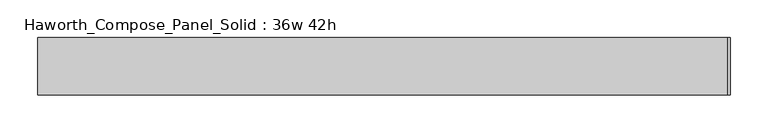
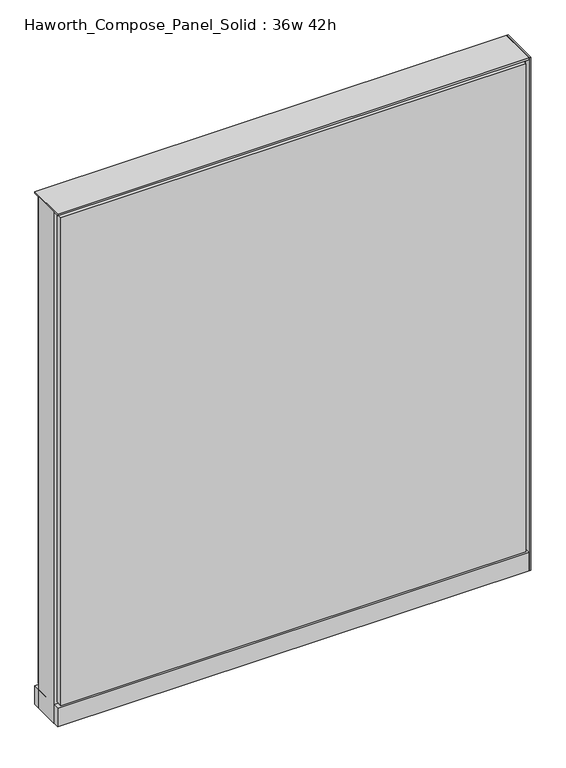
"""IFC4 building model written with IfcOpenShell, lengths in millimetres: furniture geometry, Haworth_Compose_Panel_Solid : 36w 42h."""

from ifc_helpers import new_model, si_unit, point, frame, frame_2d, origin, origin_with_axes, place, context, project, spatial, polyline, circle_curve, trimmed, segment, composite_curve, outline, extrude, source, transform, mapped, element, save


def haworth_compose_panel_solid_36w_42h_05a1db2c(model_context):
    return source(origin(), model_context, "Body", "SweptSolid", [
        extrude(outline(composite_curve([segment(trimmed(circle_curve(frame_2d((-378.5597098, 0.0)), 12.7), [point((-391.2597098, 0.0))], [point((-365.8597098, 0.0))], False, "CARTESIAN"), True, "CONTINUOUS"), segment(trimmed(circle_curve(frame_2d((-378.5597098, 0.0)), 12.7), [point((-365.8597098, 0.0))], [point((-391.2597098, 0.0))], False, "CARTESIAN"), True, "CONTINUOUS")], self_intersect=False)), origin_with_axes(), (0.0, 0.0, 1.0), 12.7),
        extrude(outline(composite_curve([segment(trimmed(circle_curve(frame_2d((383.4402902, 0.0)), 12.7), [point((370.7402902, 0.0))], [point((396.1402902, 0.0))], False, "CARTESIAN"), True, "CONTINUOUS"), segment(trimmed(circle_curve(frame_2d((383.4402902, 0.0)), 12.7), [point((396.1402902, 0.0))], [point((370.7402902, 0.0))], False, "CARTESIAN"), True, "CONTINUOUS")], self_intersect=False)), origin_with_axes(), (0.0, 0.0, 1.0), 12.7),
        extrude(outline(polyline([(462.8152902, 38.1), (462.8152902, -38.1), (459.6402902, -38.1), (459.6402902, 38.1), (462.8152902, 38.1)])), frame((0.0, 0.0, 12.7), z_axis=(0.0, 0.0, 1.0), x_axis=(1.0, 0.0, 0.0)), (0.0, 0.0, 1.0), 1050.925),
        extrude(outline(polyline([(453.2902902, 38.1), (453.2902902, 25.4), (-448.4097098, 25.4), (-448.4097098, 38.1), (453.2902902, 38.1)])), frame((0.0, 0.0, 53.975), z_axis=(0.0, 0.0, 1.0), x_axis=(1.0, 0.0, 0.0)), (0.0, 0.0, 1.0), 1000.125),
        extrude(outline(polyline([(453.2902902, -38.1), (-448.4097098, -38.1), (-448.4097098, -25.4), (453.2902902, -25.4), (453.2902902, -38.1)])), frame((0.0, 0.0, 53.975), z_axis=(0.0, 0.0, 1.0), x_axis=(1.0, 0.0, 0.0)), (0.0, 0.0, 1.0), 1000.125),
        extrude(outline(polyline([(459.6402902, 25.4), (459.6402902, -25.4), (-454.7597098, -25.4), (-454.7597098, 25.4), (459.6402902, 25.4)])), frame((0.0, 0.0, 12.7), z_axis=(0.0, 0.0, 1.0), x_axis=(1.0, 0.0, 0.0)), (0.0, 0.0, 1.0), 1047.75),
        extrude(outline(polyline([(-454.7597098, -38.1), (-454.7597098, 38.1), (459.6402902, 38.1), (459.6402902, -38.1), (-454.7597098, -38.1)])), frame((0.0, 0.0, 12.7), z_axis=(0.0, 0.0, 1.0), x_axis=(1.0, 0.0, 0.0)), (0.0, 0.0, 1.0), 38.1),
        extrude(outline(polyline([(-454.7597098, -38.1), (-454.7597098, 38.1), (459.6402902, 38.1), (459.6402902, -38.1), (-454.7597098, -38.1)])), frame((0.0, 0.0, 1060.45), z_axis=(0.0, 0.0, 1.0), x_axis=(1.0, 0.0, 0.0)), (0.0, 0.0, 1.0), 3.175),
    ])


if __name__ == "__main__":
    model = new_model("IFC4")
    model_context = context("Model", 3, world=origin())
    ifc_project = project(units=[si_unit("LENGTHUNIT", "METRE", prefix="MILLI")], contexts=[model_context])
    site = spatial("IfcSite", under=ifc_project)
    building = spatial("IfcBuilding", under=site)
    placement = place(None, origin())
    haworth_compose_panel_solid_36w_42h_shape = haworth_compose_panel_solid_36w_42h_05a1db2c(model_context)
    element("IfcFurniture", 1, ObjectType="Haworth_Compose_Panel_Solid : 36w 42h", at=placement, inside=building, context=model_context, shape_type="MappedRepresentation", body=[
        mapped(haworth_compose_panel_solid_36w_42h_shape, transform((0.0, 0.0, 0.0), x_axis=(1.0, 0.0, 0.0), y_axis=(0.0, 1.0, 0.0), z_axis=(0.0, 0.0, 1.0))),
    ])
    save(model, "model.ifc")
